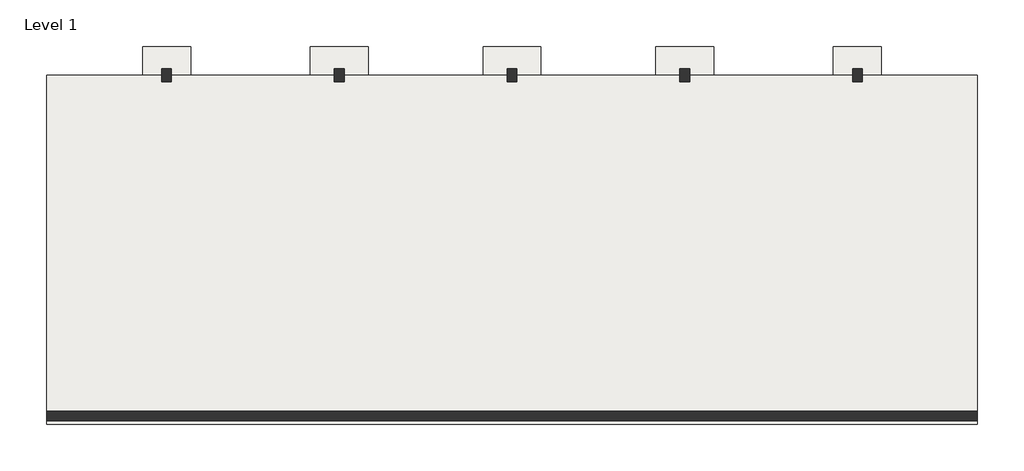
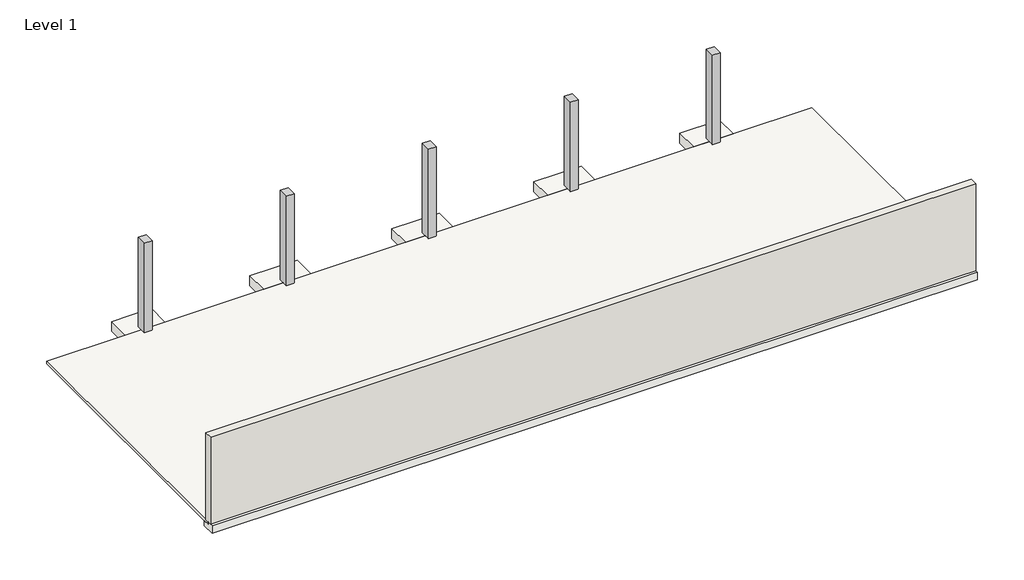
# One storey: 6 slabs, 5 columns, 1 footing, 1 wall.
"""IFC4 building model written with IfcOpenShell, lengths in millimetres."""

from ifc_helpers import new_model, si_unit, frame, origin, origin_with_axes, place, context, project, spatial, polyline, outline, extrude, faceted_brep, element, save

model = new_model("IFC4")

# Units and contexts
model_context = context("Model", 3, world=origin())
ifc_project = project(units=[si_unit("LENGTHUNIT", "METRE", prefix="MILLI")], contexts=[model_context])

# Site, building, storey
site = spatial("IfcSite", under=ifc_project)
building = spatial("IfcBuilding", under=site)
storey = spatial("IfcBuildingStorey", under=building, Name="Level 1", Elevation=0.0)

# Columns
placement = place(None, origin())
element("IfcColumn", 1, ObjectType="Concrete-Rectangular-Column : 12 x 16", at=placement, inside=storey, context=model_context, shape_type="Brep", body=[
    faceted_brep([(-10749.5837103, 4967.5106771, 0.0), (-10749.5837103, 4561.1106771, 0.0), (-11054.3837103, 4561.1106771, 0.0), (-11054.3837103, 4967.5106771, 0.0), (-10749.5837103, 4967.5106771, 3657.6), (-10749.5837103, 4561.1106771, 3657.6), (-10749.5837103, 4561.1106771, 3556.0), (-10749.5837103, 4561.1106771, 2336.8), (-11054.3837103, 4561.1106771, 3657.6), (-11054.3837103, 4561.1106771, 3556.0), (-11054.3837103, 4561.1106771, 2336.8), (-11054.3837103, 4967.5106771, 3657.6)], [[[0, 1, 2, 3]], [[4, 5, 6, 7, 1, 0]], [[5, 8, 9, 10, 2, 1, 7, 6]], [[8, 11, 3, 2, 10, 9]], [[11, 4, 0, 3]], [[4, 11, 8, 5]]]),
])
element("IfcColumn", 2, ObjectType="Concrete-Rectangular-Column : 12 x 16", at=placement, inside=storey, context=model_context, shape_type="Brep", body=[
    faceted_brep([(-5263.1837103, 4967.5106771, 0.0), (-5263.1837103, 4561.1106771, 0.0), (-5567.9837103, 4561.1106771, 0.0), (-5567.9837103, 4967.5106771, 0.0), (-5263.1837103, 4967.5106771, 3657.6), (-5263.1837103, 4561.1106771, 3657.6), (-5263.1837103, 4561.1106771, 3556.0), (-5263.1837103, 4561.1106771, 2336.8), (-5567.9837103, 4561.1106771, 3657.6), (-5567.9837103, 4561.1106771, 3556.0), (-5567.9837103, 4561.1106771, 2336.8), (-5567.9837103, 4967.5106771, 3657.6)], [[[0, 1, 2, 3]], [[4, 5, 6, 7, 1, 0]], [[5, 8, 9, 10, 2, 1, 7, 6]], [[8, 11, 3, 2, 10, 9]], [[11, 4, 0, 3]], [[4, 11, 8, 5]]]),
])
element("IfcColumn", 3, ObjectType="Concrete-Rectangular-Column : 12 x 16", at=placement, inside=storey, context=model_context, shape_type="Brep", body=[
    faceted_brep([(223.2162897, 4967.5106771, 0.0), (223.2162897, 4561.1106771, 0.0), (-81.5837103, 4561.1106771, 0.0), (-81.5837103, 4967.5106771, 0.0), (223.2162897, 4967.5106771, 3657.6), (223.2162897, 4561.1106771, 3657.6), (223.2162897, 4561.1106771, 3556.0), (223.2162897, 4561.1106771, 2336.8), (-81.5837103, 4561.1106771, 3657.6), (-81.5837103, 4561.1106771, 3556.0), (-81.5837103, 4561.1106771, 2336.8), (-81.5837103, 4967.5106771, 3657.6)], [[[0, 1, 2, 3]], [[4, 5, 6, 7, 1, 0]], [[5, 8, 9, 10, 2, 1, 7, 6]], [[8, 11, 3, 2, 10, 9]], [[11, 4, 0, 3]], [[4, 11, 8, 5]]]),
])
element("IfcColumn", 4, ObjectType="Concrete-Rectangular-Column : 12 x 16", at=placement, inside=storey, context=model_context, shape_type="Brep", body=[
    faceted_brep([(5709.6162897, 4967.5106771, 0.0), (5709.6162897, 4561.1106771, 0.0), (5404.8162897, 4561.1106771, 0.0), (5404.8162897, 4967.5106771, 0.0), (5709.6162897, 4967.5106771, 3657.6), (5709.6162897, 4561.1106771, 3657.6), (5709.6162897, 4561.1106771, 3556.0), (5709.6162897, 4561.1106771, 2336.8), (5404.8162897, 4561.1106771, 3657.6), (5404.8162897, 4561.1106771, 3556.0), (5404.8162897, 4561.1106771, 2336.8), (5404.8162897, 4967.5106771, 3657.6)], [[[0, 1, 2, 3]], [[4, 5, 6, 7, 1, 0]], [[5, 8, 9, 10, 2, 1, 7, 6]], [[8, 11, 3, 2, 10, 9]], [[11, 4, 0, 3]], [[4, 11, 8, 5]]]),
])
element("IfcColumn", 5, ObjectType="Concrete-Rectangular-Column : 12 x 16", at=placement, inside=storey, context=model_context, shape_type="Brep", body=[
    faceted_brep([(11196.0162897, 4967.5106771, 0.0), (11196.0162897, 4561.1106771, 0.0), (10891.2162897, 4561.1106771, 0.0), (10891.2162897, 4967.5106771, 0.0), (11196.0162897, 4967.5106771, 3657.6), (11196.0162897, 4561.1106771, 3657.6), (11196.0162897, 4561.1106771, 3556.0), (11196.0162897, 4561.1106771, 2336.8), (10891.2162897, 4561.1106771, 3657.6), (10891.2162897, 4561.1106771, 3556.0), (10891.2162897, 4561.1106771, 2336.8), (10891.2162897, 4967.5106771, 3657.6)], [[[0, 1, 2, 3]], [[4, 5, 6, 7, 1, 0]], [[5, 8, 9, 10, 2, 1, 7, 6]], [[8, 11, 3, 2, 10, 9]], [[11, 4, 0, 3]], [[4, 11, 8, 5]]]),
])

# Footing
element("IfcFooting", 6, ObjectType="Bearing Footing - 20\" x 12\"", at=placement, inside=storey, context=model_context, shape_type="SweptSolid", body=[
    extrude(outline(polyline([(-6310.0893229, -304.8), (-6310.0893229, 0.0), (-6056.0893229, 0.0), (-6056.0893229, -101.6), (-5802.0893229, -101.6), (-5802.0893229, -304.8), (-6310.0893229, -304.8)])), frame((-14711.9837103, 0.0, 0.0), z_axis=(1.0, 0.0, 0.0), x_axis=(0.0, 1.0, 0.0)), (0.0, 0.0, 1.0), 29565.6),
])

# Slabs
element("IfcSlab", 7, ObjectType="4\" Roof Slab", at=placement, inside=storey, context=model_context, shape_type="Brep", body=[
    faceted_brep([(14853.6162897, 4764.3106771, -101.6), (14853.6162897, -5802.0893229, -101.6), (14853.6162897, -6056.0893229, -101.6), (-14711.9837103, -6056.0893229, -101.6), (-14711.9837103, -5802.0893229, -101.6), (-14711.9837103, 4764.3106771, -101.6), (-11663.9837103, 4764.3106771, -101.6), (-10139.9837103, 4764.3106771, -101.6), (-6329.9837103, 4764.3106771, -101.6), (-4501.1837103, 4764.3106771, -101.6), (-843.5837103, 4764.3106771, -101.6), (985.2162897, 4764.3106771, -101.6), (4642.8162897, 4764.3106771, -101.6), (6471.6162897, 4764.3106771, -101.6), (10281.6162897, 4764.3106771, -101.6), (11805.6162897, 4764.3106771, -101.6), (14853.6162897, 4764.3106771, 0.0), (11805.6162897, 4764.3106771, 0.0), (10281.6162897, 4764.3106771, 0.0), (6471.6162897, 4764.3106771, 0.0), (4642.8162897, 4764.3106771, 0.0), (985.2162897, 4764.3106771, 0.0), (-843.5837103, 4764.3106771, 0.0), (-4501.1837103, 4764.3106771, 0.0), (-6329.9837103, 4764.3106771, 0.0), (-10139.9837103, 4764.3106771, 0.0), (-11663.9837103, 4764.3106771, 0.0), (-14711.9837103, 4764.3106771, 0.0), (-14711.9837103, -6056.0893229, 0.0), (14853.6162897, -6056.0893229, 0.0)], [[[0, 1, 2, 3, 4, 5, 6, 7, 8, 9, 10, 11, 12, 13, 14, 15]], [[16, 17, 18, 19, 20, 21, 22, 23, 24, 25, 26, 27, 28, 29]], [[2, 1, 0, 16, 29]], [[3, 2, 29, 28]], [[5, 4, 3, 28, 27]], [[0, 15, 14, 13, 12, 11, 10, 9, 8, 7, 6, 5, 27, 26, 25, 24, 23, 22, 21, 20, 19, 18, 17, 16]]]),
])
element("IfcSlab", 8, ObjectType="Footing-Rectangular : 72\" x 60\" x 16\"", at=placement, inside=storey, context=model_context, shape_type="SweptSolid", body=[
    extrude(outline(polyline([(5678.7106771, -406.4), (3849.9106771, -406.4), (3849.9106771, -101.6), (4764.3106771, -101.6), (4764.3106771, 0.0), (5678.7106771, 0.0), (5678.7106771, -406.4)])), frame((-11663.9837103, 0.0, 0.0), z_axis=(1.0, 0.0, 0.0), x_axis=(0.0, 1.0, 0.0)), (0.0, 0.0, 1.0), 1524.0),
])
element("IfcSlab", 9, ObjectType="Footing-Rectangular : 72\" x 60\" x 16\"", at=placement, inside=storey, context=model_context, shape_type="SweptSolid", body=[
    extrude(outline(polyline([(5678.7106771, -406.4), (3849.9106771, -406.4), (3849.9106771, -101.6), (4764.3106771, -101.6), (4764.3106771, 0.0), (5678.7106771, 0.0), (5678.7106771, -406.4)])), frame((10281.6162897, 0.0, 0.0), z_axis=(1.0, 0.0, 0.0), x_axis=(0.0, 1.0, 0.0)), (0.0, 0.0, 1.0), 1524.0),
])
element("IfcSlab", 10, ObjectType="Footing-Rectangular : 72\" x 72\" x 16\"", at=placement, inside=storey, context=model_context, shape_type="SweptSolid", body=[
    extrude(outline(polyline([(5678.7106771, -406.4), (3849.9106771, -406.4), (3849.9106771, -101.6), (4764.3106771, -101.6), (4764.3106771, 0.0), (5678.7106771, 0.0), (5678.7106771, -406.4)])), frame((-6329.9837103, 0.0, 0.0), z_axis=(1.0, 0.0, 0.0), x_axis=(0.0, 1.0, 0.0)), (0.0, 0.0, 1.0), 1828.8),
])
element("IfcSlab", 11, ObjectType="Footing-Rectangular : 72\" x 72\" x 16\"", at=placement, inside=storey, context=model_context, shape_type="SweptSolid", body=[
    extrude(outline(polyline([(5678.7106771, -406.4), (3849.9106771, -406.4), (3849.9106771, -101.6), (4764.3106771, -101.6), (4764.3106771, 0.0), (5678.7106771, 0.0), (5678.7106771, -406.4)])), frame((-843.5837103, 0.0, 0.0), z_axis=(1.0, 0.0, 0.0), x_axis=(0.0, 1.0, 0.0)), (0.0, 0.0, 1.0), 1828.8),
])
element("IfcSlab", 12, ObjectType="Footing-Rectangular : 72\" x 72\" x 16\"", at=placement, inside=storey, context=model_context, shape_type="SweptSolid", body=[
    extrude(outline(polyline([(5678.7106771, -406.4), (3849.9106771, -406.4), (3849.9106771, -101.6), (4764.3106771, -101.6), (4764.3106771, 0.0), (5678.7106771, 0.0), (5678.7106771, -406.4)])), frame((4642.8162897, 0.0, 0.0), z_axis=(1.0, 0.0, 0.0), x_axis=(0.0, 1.0, 0.0)), (0.0, 0.0, 1.0), 1828.8),
])

# Wall
element("IfcWall", 13, ObjectType="Generic - 12\"", at=placement, inside=storey, context=model_context, shape_type="SweptSolid", body=[
    extrude(outline(polyline([(-14711.9837103, -5903.6893229), (14853.6162897, -5903.6893229), (14853.6162897, -6208.4893229), (-14711.9837103, -6208.4893229), (-14711.9837103, -5903.6893229)])), origin_with_axes(), (0.0, 0.0, 1.0), 3556.0),
])

save(model, "model.ifc")
